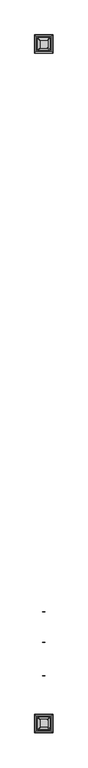
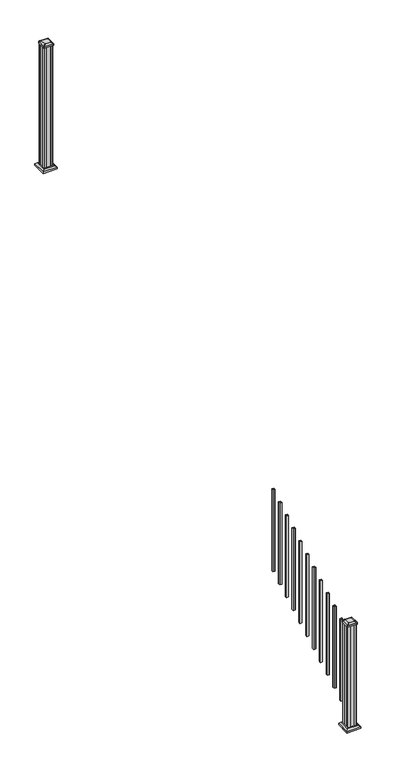
"""IFC4 building model written with IfcOpenShell, lengths in millimetres: railing geometry."""

from ifc_helpers import new_model, si_unit, point, frame, frame_2d, origin, place, context, project, spatial, polyline, circle_curve, trimmed, segment, composite_curve, outline, extrude, faceted_brep, source, transform, mapped, element, save
from ifc_brep_helpers import plane_surface, extruded_surface, advanced_brep


def railing_d8792f80(model_context):
    return source(origin(), model_context, "Body", "SolidModel", [
        extrude(outline(polyline([(7003.8692659, 2976.1539694), (7003.8692659, 2995.2039694), (7022.9192659, 2995.2039694), (7022.9192659, 2976.1539694), (7003.8692659, 2976.1539694)]), holes=[polyline([(7004.2661409, 2976.5508444), (7022.5223909, 2976.5508444), (7022.5223909, 2994.8070944), (7004.2661409, 2994.8070944), (7004.2661409, 2976.5508444)])]), frame((0.0, 0.0, 941.3172322), z_axis=(0.0, 0.0, 1.0), x_axis=(1.0, 0.0, 0.0)), (0.0, 0.0, 1.0), 812.8041219),
        extrude(outline(polyline([(7003.8692659, 2865.0289694), (7003.8692659, 2884.0789694), (7022.9192659, 2884.0789694), (7022.9192659, 2865.0289694), (7003.8692659, 2865.0289694)]), holes=[polyline([(7004.2661409, 2865.4258444), (7022.5223909, 2865.4258444), (7022.5223909, 2883.6820944), (7004.2661409, 2883.6820944), (7004.2661409, 2865.4258444)])]), frame((0.0, 0.0, 879.5811211), z_axis=(0.0, 0.0, 1.0), x_axis=(1.0, 0.0, 0.0)), (0.0, 0.0, 1.0), 812.8041219),
        extrude(outline(polyline([(7003.8692659, 2753.9039694), (7003.8692659, 2772.9539694), (7022.9192659, 2772.9539694), (7022.9192659, 2753.9039694), (7003.8692659, 2753.9039694)]), holes=[polyline([(7004.2661409, 2754.3008444), (7022.5223909, 2754.3008444), (7022.5223909, 2772.5570944), (7004.2661409, 2772.5570944), (7004.2661409, 2754.3008444)])]), frame((0.0, 0.0, 817.84501), z_axis=(0.0, 0.0, 1.0), x_axis=(1.0, 0.0, 0.0)), (0.0, 0.0, 1.0), 812.8041219),
        extrude(outline(polyline([(7003.8692659, 2642.7789694), (7003.8692659, 2661.8289694), (7022.9192659, 2661.8289694), (7022.9192659, 2642.7789694), (7003.8692659, 2642.7789694)]), holes=[polyline([(7004.2661409, 2643.1758444), (7022.5223909, 2643.1758444), (7022.5223909, 2661.4320944), (7004.2661409, 2661.4320944), (7004.2661409, 2643.1758444)])]), frame((0.0, 0.0, 756.1088989), z_axis=(0.0, 0.0, 1.0), x_axis=(1.0, 0.0, 0.0)), (0.0, 0.0, 1.0), 812.8041219),
        extrude(outline(polyline([(7003.8692659, 2531.6539694), (7003.8692659, 2550.7039694), (7022.9192659, 2550.7039694), (7022.9192659, 2531.6539694), (7003.8692659, 2531.6539694)]), holes=[polyline([(7004.2661409, 2532.0508444), (7022.5223909, 2532.0508444), (7022.5223909, 2550.3070944), (7004.2661409, 2550.3070944), (7004.2661409, 2532.0508444)])]), frame((0.0, 0.0, 694.3727878), z_axis=(0.0, 0.0, 1.0), x_axis=(1.0, 0.0, 0.0)), (0.0, 0.0, 1.0), 812.8041219),
        extrude(outline(polyline([(7003.8692659, 2420.5289694), (7003.8692659, 2439.5789694), (7022.9192659, 2439.5789694), (7022.9192659, 2420.5289694), (7003.8692659, 2420.5289694)]), holes=[polyline([(7004.2661409, 2420.9258444), (7022.5223909, 2420.9258444), (7022.5223909, 2439.1820944), (7004.2661409, 2439.1820944), (7004.2661409, 2420.9258444)])]), frame((0.0, 0.0, 632.6366767), z_axis=(0.0, 0.0, 1.0), x_axis=(1.0, 0.0, 0.0)), (0.0, 0.0, 1.0), 812.8041219),
        extrude(outline(polyline([(7003.8692659, 2309.4039694), (7003.8692659, 2328.4539694), (7022.9192659, 2328.4539694), (7022.9192659, 2309.4039694), (7003.8692659, 2309.4039694)]), holes=[polyline([(7004.2661409, 2309.8008444), (7022.5223909, 2309.8008444), (7022.5223909, 2328.0570944), (7004.2661409, 2328.0570944), (7004.2661409, 2309.8008444)])]), frame((0.0, 0.0, 570.9005656), z_axis=(0.0, 0.0, 1.0), x_axis=(1.0, 0.0, 0.0)), (0.0, 0.0, 1.0), 812.8041219),
        extrude(outline(polyline([(7003.8692659, 2198.2789694), (7003.8692659, 2217.3289694), (7022.9192659, 2217.3289694), (7022.9192659, 2198.2789694), (7003.8692659, 2198.2789694)]), holes=[polyline([(7004.2661409, 2198.6758444), (7022.5223909, 2198.6758444), (7022.5223909, 2216.9320944), (7004.2661409, 2216.9320944), (7004.2661409, 2198.6758444)])]), frame((0.0, 0.0, 509.1644545), z_axis=(0.0, 0.0, 1.0), x_axis=(1.0, 0.0, 0.0)), (0.0, 0.0, 1.0), 812.8041219),
        extrude(outline(polyline([(7003.8692659, 2087.1539694), (7003.8692659, 2106.2039694), (7022.9192659, 2106.2039694), (7022.9192659, 2087.1539694), (7003.8692659, 2087.1539694)]), holes=[polyline([(7004.2661409, 2087.5508444), (7022.5223909, 2087.5508444), (7022.5223909, 2105.8070944), (7004.2661409, 2105.8070944), (7004.2661409, 2087.5508444)])]), frame((0.0, 0.0, 447.4283433), z_axis=(0.0, 0.0, 1.0), x_axis=(1.0, 0.0, 0.0)), (0.0, 0.0, 1.0), 812.8041219),
        extrude(outline(polyline([(7003.8692659, 1976.0289694), (7003.8692659, 1995.0789694), (7022.9192659, 1995.0789694), (7022.9192659, 1976.0289694), (7003.8692659, 1976.0289694)]), holes=[polyline([(7004.2661409, 1976.4258444), (7022.5223909, 1976.4258444), (7022.5223909, 1994.6820944), (7004.2661409, 1994.6820944), (7004.2661409, 1976.4258444)])]), frame((0.0, 0.0, 385.6922322), z_axis=(0.0, 0.0, 1.0), x_axis=(1.0, 0.0, 0.0)), (0.0, 0.0, 1.0), 812.8041219),
        extrude(outline(polyline([(7003.8692659, 1864.9039694), (7003.8692659, 1883.9539694), (7022.9192659, 1883.9539694), (7022.9192659, 1864.9039694), (7003.8692659, 1864.9039694)]), holes=[polyline([(7004.2661409, 1865.3008444), (7022.5223909, 1865.3008444), (7022.5223909, 1883.5570944), (7004.2661409, 1883.5570944), (7004.2661409, 1865.3008444)])]), frame((0.0, 0.0, 323.9561211), z_axis=(0.0, 0.0, 1.0), x_axis=(1.0, 0.0, 0.0)), (0.0, 0.0, 1.0), 812.8041219),
        extrude(outline(polyline([(7053.0817659, 6655.7805319), (7033.4602659, 6655.7805319), (7032.6982659, 6657.3680319), (6994.0902659, 6657.3680319), (6993.3282659, 6655.7805319), (6973.7067659, 6655.7805319), (6972.1192659, 6657.3680319), (6972.1192659, 6676.9895319), (6973.7067659, 6677.7515319), (6973.7067659, 6716.3595319), (6972.1192659, 6717.1215319), (6972.1192659, 6736.7430319), (6973.7067659, 6738.3305319), (6993.3282659, 6738.3305319), (6994.0902659, 6736.7430319), (7032.6982659, 6736.7430319), (7033.4602659, 6738.3305319), (7053.0817659, 6738.3305319), (7054.6692659, 6736.7430319), (7054.6692659, 6717.1215319), (7053.0817659, 6716.3595319), (7053.0817659, 6677.7515319), (7054.6692659, 6676.9895319), (7054.6692659, 6657.3680319), (7053.0817659, 6655.7805319)])), frame((0.0, 0.0, 2709.3333333), z_axis=(0.0, 0.0, 1.0), x_axis=(1.0, 0.0, 0.0)), (0.0, 0.0, 1.0), 1223.6281519),
        faceted_brep([(6960.8083284, 6644.4695944, 2737.9083333), (7065.9802034, 6644.4695944, 2737.9083333), (7065.9802034, 6749.6414694, 2737.9083333), (6960.8083284, 6749.6414694, 2737.9083333), (6946.7688753, 6630.4301413, 2724.5733333), (6946.7688753, 6763.6809225, 2724.5733333), (7080.0196565, 6763.6809225, 2724.5733333), (7080.0196565, 6630.4301413, 2724.5733333)], [[[0, 1, 2, 3]], [[4, 5, 6, 7]], [[4, 7, 1, 0]], [[7, 6, 2, 1]], [[6, 5, 3, 2]], [[5, 4, 0, 3]]]),
        extrude(outline(polyline([(6946.7688753, 6630.4301413), (6946.7688753, 6763.6809225), (7080.0196565, 6763.6809225), (7080.0196565, 6630.4301413), (6946.7688753, 6630.4301413)])), frame((0.0, 0.0, 2709.3333333), z_axis=(0.0, 0.0, 1.0), x_axis=(1.0, 0.0, 0.0)), (0.0, 0.0, 1.0), 15.24),
        advanced_brep(
        [(7039.1911409, 6668.0836569, 3961.5364852), (7042.3661409, 6671.2586569, 3961.5364852), (7042.3661409, 6722.8524069, 3961.5364852), (7039.1911409, 6726.0274069, 3961.5364852), (6987.5973909, 6726.0274069, 3961.5364852), (6984.4223909, 6722.8524069, 3961.5364852), (6984.4223909, 6671.2586569, 3961.5364852), (6987.5973909, 6668.0836569, 3961.5364852), (7055.4630159, 6651.8117819, 3950.2334852), (6971.3255159, 6651.8117819, 3950.2334852), (6968.1505159, 6654.9867819, 3950.2334852), (6968.1505159, 6739.1242819, 3950.2334852), (6971.3255159, 6742.2992819, 3950.2334852), (7055.4630159, 6742.2992819, 3950.2334852), (7058.6380159, 6739.1242819, 3950.2334852), (7058.6380159, 6654.9867819, 3950.2334852)],
        [
            (0, 1, circle_curve(frame((7039.1911409, 6671.2586569, 3961.5364852), z_axis=(0.0, 0.0, 1.0), x_axis=(0.0, 1.0, 0.0)), 3.175)),
            (1, 2),
            (2, 3, circle_curve(frame((7039.1911409, 6722.8524069, 3961.5364852), z_axis=(0.0, 0.0, 1.0), x_axis=(0.0, 1.0, 0.0)), 3.175)),
            (3, 4),
            (4, 5, circle_curve(frame((6987.5973909, 6722.8524069, 3961.5364852), z_axis=(0.0, 0.0, 1.0), x_axis=(0.0, 1.0, 0.0)), 3.175)),
            (5, 6),
            (6, 7, circle_curve(frame((6987.5973909, 6671.2586569, 3961.5364852), z_axis=(0.0, 0.0, 1.0), x_axis=(0.0, 1.0, 0.0)), 3.175)),
            (7, 0),
            (8, 9),
            (9, 10, circle_curve(frame((6971.3255159, 6654.9867819, 3950.2334852), z_axis=(0.0, 0.0, -1.0), x_axis=(0.0, 1.0, 0.0)), 3.175)),
            (10, 11),
            (11, 12, circle_curve(frame((6971.3255159, 6739.1242819, 3950.2334852), z_axis=(0.0, 0.0, -1.0), x_axis=(0.0, 1.0, 0.0)), 3.175)),
            (12, 13),
            (13, 14, circle_curve(frame((7055.4630159, 6739.1242819, 3950.2334852), z_axis=(0.0, 0.0, -1.0), x_axis=(0.0, 1.0, 0.0)), 3.175)),
            (14, 15),
            (15, 8, circle_curve(frame((7055.4630159, 6654.9867819, 3950.2334852), z_axis=(0.0, 0.0, -1.0), x_axis=(0.0, 1.0, 0.0)), 3.175)),
            (15, 1),
            (0, 8),
            (14, 2),
            (13, 3),
            (12, 4),
            (11, 5),
            (10, 6),
            (9, 7),
        ],
        [
            plane_surface(frame((7013.3942659, 6697.0555319, 3961.5364852), z_axis=(0.0, 0.0, 1.0), x_axis=(1.0, 0.0, 0.0))),
            plane_surface(frame((7013.3942659, 6697.0555319, 3950.2334852), z_axis=(0.0, 0.0, -1.0), x_axis=(1.0, 0.0, 0.0))),
            extruded_surface(trimmed(circle_curve(frame((7055.4630159, 6654.9867819, 3950.2334852), z_axis=(0.0, 0.0, 1.0), x_axis=(0.0, 1.0, 0.0)), 3.175), [point((7055.4630159, 6651.8117819, 3950.2334852))], [point((7058.6380159, 6654.9867819, 3950.2334852))], True, "CARTESIAN"), (-16.271874999999454, 16.271874999999454, 11.302999999999884), 25.63797263886542),
            plane_surface(frame((7058.6380159, 6697.0555319, 3950.2334852), z_axis=(0.5705009161540687, 0.0, 0.8212969649690472), x_axis=(0.0, 1.0, 0.0))),
            extruded_surface(trimmed(circle_curve(frame((7055.4630159, 6739.1242819, 3950.2334852), z_axis=(0.0, 0.0, 1.0), x_axis=(0.0, 1.0, 0.0)), 3.175), [point((7058.6380159, 6739.1242819, 3950.2334852))], [point((7055.4630159, 6742.2992819, 3950.2334852))], True, "CARTESIAN"), (-16.271874999999454, -16.271875000000364, 11.302999999999884), 25.637972638865996),
            plane_surface(frame((7013.3942659, 6742.2992819, 3950.2334852), z_axis=(0.0, 0.5705009161540291, 0.8212969649690747), x_axis=(-1.0, 0.0, 0.0))),
            extruded_surface(trimmed(circle_curve(frame((6971.3255159, 6739.1242819, 3950.2334852), z_axis=(0.0, 0.0, 1.0), x_axis=(0.0, 1.0, 0.0)), 3.175), [point((6971.3255159, 6742.2992819, 3950.2334852))], [point((6968.1505159, 6739.1242819, 3950.2334852))], True, "CARTESIAN"), (16.271875000000364, -16.271875000000364, 11.302999999999884), 25.63797263886657),
            plane_surface(frame((6968.1505159, 6697.0555319, 3950.2334852), z_axis=(-0.5705009161540233, 0.0, 0.8212969649690787), x_axis=(0.0, -1.0, 0.0))),
            extruded_surface(trimmed(circle_curve(frame((6971.3255159, 6654.9867819, 3950.2334852), z_axis=(0.0, 0.0, 1.0), x_axis=(0.0, 1.0, 0.0)), 3.175), [point((6968.1505159, 6654.9867819, 3950.2334852))], [point((6971.3255159, 6651.8117819, 3950.2334852))], True, "CARTESIAN"), (16.271875000000364, 16.271874999999454, 11.302999999999884), 25.637972638865996),
            plane_surface(frame((7013.3942659, 6651.8117819, 3950.2334852), z_axis=(0.0, -0.570500916154034, 0.8212969649690713), x_axis=(1.0, 0.0, 0.0))),
        ],
        [
            (0, [[1, 2, 3, 4, 5, 6, 7, 8]]),
            (1, [[9, 10, 11, 12, 13, 14, 15, 16]]),
            (2, [[-16, 17, -1, 18]]),
            (3, [[-15, 19, -2, -17]]),
            (4, [[-14, 20, -3, -19]]),
            (5, [[-13, 21, -4, -20]]),
            (6, [[-12, 22, -5, -21]]),
            (7, [[-11, 23, -6, -22]]),
            (8, [[-10, 24, -7, -23]]),
            (9, [[-9, -18, -8, -24]]),
        ],
    ),
        extrude(outline(composite_curve([segment(polyline([(7055.4630159, 6651.8117819), (6971.3255159, 6651.8117819)]), True, "CONTINUOUS"), segment(trimmed(circle_curve(frame_2d((6971.3255159, 6654.9867819)), 3.175), [point((6971.3255159, 6651.8117819))], [point((6968.1505159, 6654.9867819))], False, "CARTESIAN"), True, "CONTINUOUS"), segment(polyline([(6968.1505159, 6654.9867819), (6968.1505159, 6739.1242819)]), True, "CONTINUOUS"), segment(trimmed(circle_curve(frame_2d((6971.3255159, 6739.1242819)), 3.175), [point((6968.1505159, 6739.1242819))], [point((6971.3255159, 6742.2992819))], False, "CARTESIAN"), True, "CONTINUOUS"), segment(polyline([(6971.3255159, 6742.2992819), (7055.4630159, 6742.2992819)]), True, "CONTINUOUS"), segment(trimmed(circle_curve(frame_2d((7055.4630159, 6739.1242819)), 3.175), [point((7055.4630159, 6742.2992819))], [point((7058.6380159, 6739.1242819))], False, "CARTESIAN"), True, "CONTINUOUS"), segment(polyline([(7058.6380159, 6739.1242819), (7058.6380159, 6654.9867819)]), True, "CONTINUOUS"), segment(trimmed(circle_curve(frame_2d((7055.4630159, 6654.9867819)), 3.175), [point((7058.6380159, 6654.9867819))], [point((7055.4630159, 6651.8117819))], False, "CARTESIAN"), True, "CONTINUOUS")], self_intersect=False)), frame((0.0, 0.0, 3932.9614852), z_axis=(0.0, 0.0, 1.0), x_axis=(1.0, 0.0, 0.0)), (0.0, 0.0, 1.0), 17.272),
        faceted_brep([(6960.8083284, 1685.1195944, 174.9777778), (7065.9802034, 1685.1195944, 174.9777778), (7065.9802034, 1790.2914694, 174.9777778), (6960.8083284, 1790.2914694, 174.9777778), (6946.7688753, 1671.0801413, 161.6427778), (6946.7688753, 1804.3309225, 161.6427778), (7080.0196565, 1804.3309225, 161.6427778), (7080.0196565, 1671.0801413, 161.6427778)], [[[0, 1, 2, 3]], [[4, 5, 6, 7]], [[4, 7, 1, 0]], [[7, 6, 2, 1]], [[6, 5, 3, 2]], [[5, 4, 0, 3]]]),
        extrude(outline(polyline([(6946.7688753, 1671.0801413), (6946.7688753, 1804.3309225), (7080.0196565, 1804.3309225), (7080.0196565, 1671.0801413), (6946.7688753, 1671.0801413)])), frame((0.0, 0.0, 146.4027778), z_axis=(0.0, 0.0, 1.0), x_axis=(1.0, 0.0, 0.0)), (0.0, 0.0, 1.0), 15.24),
        advanced_brep(
        [(7039.1911409, 1708.7336569, 1206.3420408), (7042.3661409, 1711.9086569, 1206.3420408), (7042.3661409, 1763.5024069, 1206.3420408), (7039.1911409, 1766.6774069, 1206.3420408), (6987.5973909, 1766.6774069, 1206.3420408), (6984.4223909, 1763.5024069, 1206.3420408), (6984.4223909, 1711.9086569, 1206.3420408), (6987.5973909, 1708.7336569, 1206.3420408), (7055.4630159, 1692.4617819, 1195.0390408), (6971.3255159, 1692.4617819, 1195.0390408), (6968.1505159, 1695.6367819, 1195.0390408), (6968.1505159, 1779.7742819, 1195.0390408), (6971.3255159, 1782.9492819, 1195.0390408), (7055.4630159, 1782.9492819, 1195.0390408), (7058.6380159, 1779.7742819, 1195.0390408), (7058.6380159, 1695.6367819, 1195.0390408)],
        [
            (0, 1, circle_curve(frame((7039.1911409, 1711.9086569, 1206.3420408), z_axis=(0.0, 0.0, 1.0), x_axis=(0.0, 1.0, 0.0)), 3.175)),
            (1, 2),
            (2, 3, circle_curve(frame((7039.1911409, 1763.5024069, 1206.3420408), z_axis=(0.0, 0.0, 1.0), x_axis=(0.0, 1.0, 0.0)), 3.175)),
            (3, 4),
            (4, 5, circle_curve(frame((6987.5973909, 1763.5024069, 1206.3420408), z_axis=(0.0, 0.0, 1.0), x_axis=(0.0, 1.0, 0.0)), 3.175)),
            (5, 6),
            (6, 7, circle_curve(frame((6987.5973909, 1711.9086569, 1206.3420408), z_axis=(0.0, 0.0, 1.0), x_axis=(0.0, 1.0, 0.0)), 3.175)),
            (7, 0),
            (8, 9),
            (9, 10, circle_curve(frame((6971.3255159, 1695.6367819, 1195.0390408), z_axis=(0.0, 0.0, -1.0), x_axis=(0.0, 1.0, 0.0)), 3.175)),
            (10, 11),
            (11, 12, circle_curve(frame((6971.3255159, 1779.7742819, 1195.0390408), z_axis=(0.0, 0.0, -1.0), x_axis=(0.0, 1.0, 0.0)), 3.175)),
            (12, 13),
            (13, 14, circle_curve(frame((7055.4630159, 1779.7742819, 1195.0390408), z_axis=(0.0, 0.0, -1.0), x_axis=(0.0, 1.0, 0.0)), 3.175)),
            (14, 15),
            (15, 8, circle_curve(frame((7055.4630159, 1695.6367819, 1195.0390408), z_axis=(0.0, 0.0, -1.0), x_axis=(0.0, 1.0, 0.0)), 3.175)),
            (15, 1),
            (0, 8),
            (14, 2),
            (13, 3),
            (12, 4),
            (11, 5),
            (10, 6),
            (9, 7),
        ],
        [
            plane_surface(frame((7013.3942659, 1737.7055319, 1206.3420408), z_axis=(0.0, 0.0, 1.0), x_axis=(1.0, 0.0, 0.0))),
            plane_surface(frame((7013.3942659, 1737.7055319, 1195.0390408), z_axis=(0.0, 0.0, -1.0), x_axis=(1.0, 0.0, 0.0))),
            extruded_surface(trimmed(circle_curve(frame((7055.4630159, 1695.6367819, 1195.0390408), z_axis=(0.0, 0.0, 1.0), x_axis=(0.0, 1.0, 0.0)), 3.175), [point((7055.4630159, 1692.4617819, 1195.0390408))], [point((7058.6380159, 1695.6367819, 1195.0390408))], True, "CARTESIAN"), (-16.271874999999454, 16.271875000000136, 11.302999999999884), 25.63797263886585),
            plane_surface(frame((7058.6380159, 1737.7055319, 1195.0390408), z_axis=(0.5705009161540778, 0.0, 0.8212969649690408), x_axis=(0.0, 1.0, 0.0))),
            extruded_surface(trimmed(circle_curve(frame((7055.4630159, 1779.7742819, 1195.0390408), z_axis=(0.0, 0.0, 1.0), x_axis=(0.0, 1.0, 0.0)), 3.175), [point((7058.6380159, 1779.7742819, 1195.0390408))], [point((7055.4630159, 1782.9492819, 1195.0390408))], True, "CARTESIAN"), (-16.271874999999454, -16.27187499999991, 11.302999999999884), 25.63797263886571),
            plane_surface(frame((7013.3942659, 1782.9492819, 1195.0390408), z_axis=(0.0, 0.5705009161540291, 0.8212969649690747), x_axis=(-1.0, 0.0, 0.0))),
            extruded_surface(trimmed(circle_curve(frame((6971.3255159, 1779.7742819, 1195.0390408), z_axis=(0.0, 0.0, 1.0), x_axis=(0.0, 1.0, 0.0)), 3.175), [point((6971.3255159, 1782.9492819, 1195.0390408))], [point((6968.1505159, 1779.7742819, 1195.0390408))], True, "CARTESIAN"), (16.271875000000364, -16.27187499999991, 11.302999999999884), 25.637972638866284),
            plane_surface(frame((6968.1505159, 1737.7055319, 1195.0390408), z_axis=(-0.5705009161540142, 0.0, 0.8212969649690851), x_axis=(0.0, -1.0, 0.0))),
            extruded_surface(trimmed(circle_curve(frame((6971.3255159, 1695.6367819, 1195.0390408), z_axis=(0.0, 0.0, 1.0), x_axis=(0.0, 1.0, 0.0)), 3.175), [point((6968.1505159, 1695.6367819, 1195.0390408))], [point((6971.3255159, 1692.4617819, 1195.0390408))], True, "CARTESIAN"), (16.271875000000364, 16.271875000000136, 11.302999999999884), 25.637972638866426),
            plane_surface(frame((7013.3942659, 1692.4617819, 1195.0390408), z_axis=(0.0, -0.570500916154034, 0.8212969649690713), x_axis=(1.0, 0.0, 0.0))),
        ],
        [
            (0, [[1, 2, 3, 4, 5, 6, 7, 8]]),
            (1, [[9, 10, 11, 12, 13, 14, 15, 16]]),
            (2, [[-16, 17, -1, 18]]),
            (3, [[-15, 19, -2, -17]]),
            (4, [[-14, 20, -3, -19]]),
            (5, [[-13, 21, -4, -20]]),
            (6, [[-12, 22, -5, -21]]),
            (7, [[-11, 23, -6, -22]]),
            (8, [[-10, 24, -7, -23]]),
            (9, [[-9, -18, -8, -24]]),
        ],
    ),
        extrude(outline(composite_curve([segment(polyline([(7055.4630159, 1692.4617819), (6971.3255159, 1692.4617819)]), True, "CONTINUOUS"), segment(trimmed(circle_curve(frame_2d((6971.3255159, 1695.6367819)), 3.175), [point((6971.3255159, 1692.4617819))], [point((6968.1505159, 1695.6367819))], False, "CARTESIAN"), True, "CONTINUOUS"), segment(polyline([(6968.1505159, 1695.6367819), (6968.1505159, 1779.7742819)]), True, "CONTINUOUS"), segment(trimmed(circle_curve(frame_2d((6971.3255159, 1779.7742819)), 3.175), [point((6968.1505159, 1779.7742819))], [point((6971.3255159, 1782.9492819))], False, "CARTESIAN"), True, "CONTINUOUS"), segment(polyline([(6971.3255159, 1782.9492819), (7055.4630159, 1782.9492819)]), True, "CONTINUOUS"), segment(trimmed(circle_curve(frame_2d((7055.4630159, 1779.7742819)), 3.175), [point((7055.4630159, 1782.9492819))], [point((7058.6380159, 1779.7742819))], False, "CARTESIAN"), True, "CONTINUOUS"), segment(polyline([(7058.6380159, 1779.7742819), (7058.6380159, 1695.6367819)]), True, "CONTINUOUS"), segment(trimmed(circle_curve(frame_2d((7055.4630159, 1695.6367819)), 3.175), [point((7058.6380159, 1695.6367819))], [point((7055.4630159, 1692.4617819))], False, "CARTESIAN"), True, "CONTINUOUS")], self_intersect=False)), frame((0.0, 0.0, 1177.7670408), z_axis=(0.0, 0.0, 1.0), x_axis=(1.0, 0.0, 0.0)), (0.0, 0.0, 1.0), 17.272),
        extrude(outline(polyline([(7053.0817659, 1696.4305319), (7033.4602659, 1696.4305319), (7032.6982659, 1698.0180319), (6994.0902659, 1698.0180319), (6993.3282659, 1696.4305319), (6973.7067659, 1696.4305319), (6972.1192659, 1698.0180319), (6972.1192659, 1717.6395319), (6973.7067659, 1718.4015319), (6973.7067659, 1757.0095319), (6972.1192659, 1757.7715319), (6972.1192659, 1777.3930319), (6973.7067659, 1778.9805319), (6993.3282659, 1778.9805319), (6994.0902659, 1777.3930319), (7032.6982659, 1777.3930319), (7033.4602659, 1778.9805319), (7053.0817659, 1778.9805319), (7054.6692659, 1777.3930319), (7054.6692659, 1757.7715319), (7053.0817659, 1757.0095319), (7053.0817659, 1718.4015319), (7054.6692659, 1717.6395319), (7054.6692659, 1698.0180319), (7053.0817659, 1696.4305319)])), frame((0.0, 0.0, 146.4027778), z_axis=(0.0, 0.0, 1.0), x_axis=(1.0, 0.0, 0.0)), (0.0, 0.0, 1.0), 1031.364263),
    ])


if __name__ == "__main__":
    model = new_model("IFC4")
    model_context = context("Model", 3, world=origin())
    ifc_project = project(units=[si_unit("LENGTHUNIT", "METRE", prefix="MILLI")], contexts=[model_context])
    site = spatial("IfcSite", under=ifc_project)
    building = spatial("IfcBuilding", under=site)
    placement = place(None, origin())
    railing_shape = railing_d8792f80(model_context)
    element("IfcRailing", 1, at=placement, inside=building, context=model_context, shape_type="MappedRepresentation", body=[
        mapped(railing_shape, transform((0.0, 0.0, 0.0), x_axis=(1.0, 0.0, 0.0), y_axis=(0.0, 1.0, 0.0), z_axis=(0.0, 0.0, 1.0))),
    ])
    save(model, "model.ifc")
